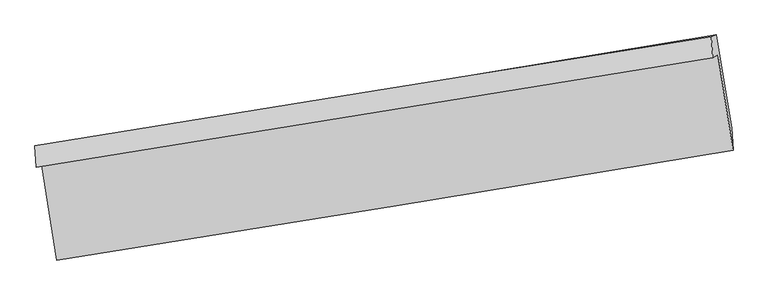
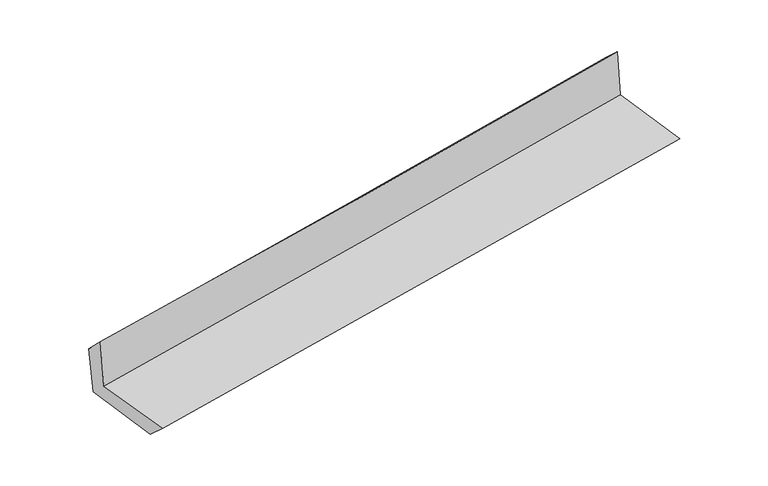
"""IFC4 building model written with IfcOpenShell, lengths in millimetres: proxy geometry."""

from ifc_helpers import new_model, si_unit, frame, origin, place, context, project, spatial, source, transform, mapped, element, save
from ifc_brep_helpers import plane_surface, spline_curve, spline_surface, advanced_brep


def generic_models_2591ffb2(model_context):
    return source(origin(), model_context, "Body", "AdvancedBrep", [
        advanced_brep(
        [(-2368.3479283, -1879.9032618, 1687.8238746), (-2265.3436336, -2537.0484002, 1687.205522), (2416.2075566, -1776.3962442, 2099.0353773), (2311.2357998, -1114.8910476, 2113.7090452), (-2405.7711011, -1895.5011608, 2095.3674914), (2275.2967924, -1135.8122236, 2514.597497), (-2414.8400778, -1746.3524666, 1949.2279656), (2265.8291546, -993.3994546, 2383.5122839), (-2377.3934948, -1740.6800806, 1557.3398844), (2300.0924303, -979.118594, 2010.3803915), (-2275.6490951, -2380.7065606, 1542.1869783), (2405.6502807, -1622.829605, 1961.2424448)],
        [
            (0, 1),
            (1, 2, spline_curve(3, [(-2265.3436336, -2537.0484002, 1687.205522), (-1481.24843022, -2414.913518268, 1758.703122308), (-697.433921212, -2290.181259892, 1828.909841566), (863.078465245, -2036.587262517, 1966.164950457), (1639.781019727, -1907.768802226, 2033.234849867), (2416.2075566, -1776.3962442, 2099.0353773)], [4, 2, 4], [0.0, 7.842525207756541, 15.619437861049846])),
            (2, 3),
            (3, 0, spline_curve(3, [(2311.2357998, -1114.8910476, 2113.7090452), (1535.306506538, -1245.155851818, 2040.896627788), (759.016198993, -1373.778400704, 1969.144599714), (-800.838926204, -1628.810300099, 1827.16490816), (-1584.409861415, -1755.191822517, 1756.955212778), (-2368.3479283, -1879.9032618, 1687.8238746)], [4, 2, 4], [0.0, 7.776912653293305, 15.619437861049846])),
            (4, 0),
            (3, 5),
            (5, 4, spline_curve(3, [(2275.2967924, -1135.8122236, 2514.597497), (1499.518898579, -1263.04714804, 2435.389172018), (723.181965261, -1389.708505596, 2360.975703791), (-837.164526355, -1642.94787051, 2221.151120646), (-1621.183557456, -1769.51615834, 2155.821253395), (-2405.7711011, -1895.5011608, 2095.3674914)], [4, 2, 4], [0.0, 7.776973447095041, 15.619559961560793])),
            (6, 4),
            (5, 7),
            (7, 6, spline_curve(3, [(2265.8291546, -993.3994546, 2383.5122839), (1489.517024519, -1117.572977233, 2304.833453205), (712.944794264, -1242.140583211, 2229.441836323), (-847.273876018, -1493.118242752, 2084.624695281), (-1630.92472294, -1619.534974159, 2015.254873174), (-2414.8400778, -1746.3524666, 1949.2279656)], [4, 2, 4], [0.0, 7.776934183209233, 15.619481102526121])),
            (8, 6),
            (7, 9),
            (9, 8, spline_curve(3, [(2300.0924303, -979.118594, 2010.3803915), (1525.251525568, -1108.06384546, 1924.298611679), (749.68104947, -1235.738696419, 1843.640059142), (-809.468563235, -1489.614052293, 1692.534661189), (-1593.060062186, -1615.793029986, 1622.179711049), (-2377.3934948, -1740.6800806, 1557.3398844)], [4, 2, 4], [0.0, 7.776847290281742, 15.61930658356956])),
            (10, 8),
            (9, 11),
            (11, 10, spline_curve(3, [(2405.6502807, -1622.829605, 1961.2424448), (1629.856341393, -1756.101388433, 1891.980721079), (853.492223305, -1885.644122632, 1822.575868017), (-706.931240535, -2138.332962684, 1682.8931377), (-1491.000247438, -2261.415880241, 1612.612835347), (-2275.6490951, -2380.7065606, 1542.1869783)], [4, 2, 4], [0.0, 7.776801979610418, 15.619215579948108])),
            (1, 10),
            (11, 2),
        ],
        [
            spline_surface(3, 3, [[(-2368.3479283, -1879.9032618, 1687.8238746), (-1584.409861453, -1755.191822489, 1756.955212675), (-800.838926283, -1628.810300001, 1827.164908094), (759.016199072, -1373.778400801, 1969.14459978), (1535.30650662, -1245.155851923, 2040.896627876), (2311.2357998, -1114.8910476, 2113.7090452)], [(-2334.01316341, -2098.951641266, 1687.617757053), (-1550.022717681, -1975.099054415, 1757.537849177), (-766.370591242, -1849.267286648, 1827.746552527), (793.703621106, -1594.714688016, 1968.15138336), (1570.131344291, -1466.026835329, 2038.342701826), (2346.226385408, -1335.392779804, 2108.817822559)], [(-2299.67839849, -2318.000020734, 1687.411639547), (-1515.635573877, -2195.006286343, 1758.120485718), (-731.902256192, -2069.724273307, 1828.328197015), (828.391043149, -1815.650975242, 1967.158166995), (1604.956181938, -1686.897818724, 2035.7887758), (2381.216970992, -1555.894511996, 2103.926599941)], [(-2265.3436336, -2537.0484002, 1687.205522), (-1481.248430105, -2414.913518269, 1758.703122219), (-697.43392115, -2290.181259954, 1828.909841448), (863.078465183, -2036.587262457, 1966.164950575), (1639.781019609, -1907.76880213, 2033.23484975), (2416.2075566, -1776.3962442, 2099.0353773)]], [4, 4], [4, 2, 4], [0.0, 2.1986901464026665], [0.0, 7.842525207756541, 15.619437861049846]),
            spline_surface(3, 3, [[(-2405.7711011, -1895.5011608, 2095.3674914), (-1621.18355747, -1769.516158405, 2155.821253486), (-837.164526371, -1642.947870428, 2221.151120537), (723.181965277, -1389.708505677, 2360.975703898), (1499.518898689, -1263.047147951, 2435.389172051), (2275.2967924, -1135.8122236, 2514.597497)], [(-2393.296710167, -1890.301861133, 1959.519619148), (-1608.925658798, -1764.741379766, 2022.865906564), (-825.055993026, -1638.235346941, 2089.822383054), (735.126709857, -1384.398470707, 2230.365335857), (1511.448101329, -1257.083382606, 2303.891657352), (2287.27646153, -1128.838498264, 2380.968013092)], [(-2380.822319233, -1885.102561467, 1823.671746852), (-1596.667760125, -1759.966601128, 1889.910559597), (-812.947459627, -1633.522823488, 1958.493645577), (747.071454492, -1379.088435771, 2099.754967822), (1523.377303979, -1251.119617268, 2172.394142576), (2299.25613067, -1121.864772936, 2247.338529108)], [(-2368.3479283, -1879.9032618, 1687.8238746), (-1584.409861453, -1755.191822489, 1756.955212675), (-800.838926283, -1628.810300001, 1827.164908094), (759.016199072, -1373.778400801, 1969.14459978), (1535.30650662, -1245.155851923, 2040.896627876), (2311.2357998, -1114.8910476, 2113.7090452)]], [4, 4], [4, 2, 4], [0.0, 1.2954631625426933], [0.0, 7.842586514465752, 15.619559961560793]),
            spline_surface(3, 3, [[(-2414.8400778, -1746.3524666, 1949.2279656), (-1630.924723015, -1619.534974251, 2015.2548731), (-847.273875932, -1493.118242813, 2084.624695404), (712.944794179, -1242.14058315, 2229.441836201), (1489.517024549, -1117.572977281, 2304.833453325), (2265.8291546, -993.3994546, 2383.5122839)], [(-2411.817085571, -1796.068697992, 1997.941140853), (-1627.677667837, -1669.528702294, 2062.110333215), (-843.904092741, -1543.061452029, 2130.133503811), (716.357184549, -1291.32989067, 2273.286458796), (1492.850982579, -1166.064367494, 2348.352026215), (2268.98503385, -1040.87037759, 2427.207354915)], [(-2408.794093329, -1845.784929408, 2046.654316147), (-1624.430612647, -1719.522430362, 2108.965793371), (-840.534309562, -1593.004661212, 2175.64231213), (719.769574907, -1340.519198157, 2317.131081303), (1496.184940659, -1214.555757738, 2391.87059916), (2272.14091315, -1088.34130061, 2470.902425985)], [(-2405.7711011, -1895.5011608, 2095.3674914), (-1621.18355747, -1769.516158405, 2155.821253486), (-837.164526371, -1642.947870428, 2221.151120537), (723.181965277, -1389.708505677, 2360.975703898), (1499.518898689, -1263.047147951, 2435.389172051), (2275.2967924, -1135.8122236, 2514.597497)]], [4, 4], [4, 2, 4], [0.0, 0.6577027975820853], [0.0, 7.842546919316888, 15.619481102526121]),
            spline_surface(3, 3, [[(-2377.3934948, -1740.6800806, 1557.3398844), (-1593.06006213, -1615.793029895, 1622.179711143), (-809.468563162, -1489.61405217, 1692.534661079), (749.681049397, -1235.738696542, 1843.640059251), (1525.251525452, -1108.063845421, 1924.298611696), (2300.0924303, -979.118594, 2010.3803915)], [(-2389.875689126, -1742.570875931, 1687.969244812), (-1605.68161575, -1617.040344678, 1753.204765141), (-822.070334068, -1490.782115705, 1823.231339166), (737.435631008, -1237.872658732, 1972.240651545), (1513.340025161, -1111.233556035, 2051.143558927), (2288.67133841, -983.878880861, 2134.757688989)], [(-2402.357883474, -1744.461671269, 1818.598605188), (-1618.303169394, -1618.287659468, 1884.229819103), (-834.672105026, -1491.950179278, 1953.928017318), (725.190212567, -1240.00662096, 2100.841243906), (1501.42852484, -1114.403266666, 2177.988506093), (2277.25024649, -988.639167739, 2259.134986411)], [(-2414.8400778, -1746.3524666, 1949.2279656), (-1630.924723015, -1619.534974251, 2015.2548731), (-847.273875932, -1493.118242813, 2084.624695404), (712.944794179, -1242.14058315, 2229.441836201), (1489.517024549, -1117.572977281, 2304.833453325), (2265.8291546, -993.3994546, 2383.5122839)]], [4, 4], [4, 2, 4], [0.0, 1.2821043556497962], [0.0, 7.842459293287819, 15.61930658356956]),
            spline_surface(3, 3, [[(-2275.6490951, -2380.7065606, 1542.1869783), (-1491.000247453, -2261.41588027, 1612.612835356), (-706.931240456, -2138.332962686, 1682.893137764), (853.492223227, -1885.644122631, 1822.575867954), (1629.85634146, -1756.101388319, 1891.980721051), (2405.6502807, -1622.829605, 1961.2424448)], [(-2309.563895002, -2167.364400619, 1547.237946987), (-1525.020185681, -2046.208263497, 1615.801793939), (-741.11034803, -1922.09332587, 1686.106978892), (818.888498612, -1669.008980624, 1829.597265076), (1594.988069441, -1540.088874013, 1902.753351249), (2370.464330551, -1408.259267994, 1977.621760349)], [(-2343.478694898, -1954.022240581, 1552.288915713), (-1559.040123902, -1831.000646667, 1618.99075256), (-775.289455588, -1705.853688985, 1689.320819951), (784.284774012, -1452.373838549, 1836.618662129), (1560.11979747, -1324.076359726, 1913.525981499), (2335.278380449, -1193.688931006, 1994.001075951)], [(-2377.3934948, -1740.6800806, 1557.3398844), (-1593.06006213, -1615.793029895, 1622.179711143), (-809.468563162, -1489.61405217, 1692.534661079), (749.681049397, -1235.738696542, 1843.640059251), (1525.251525452, -1108.063845421, 1924.298611696), (2300.0924303, -979.118594, 2010.3803915)]], [4, 4], [4, 2, 4], [0.0, 2.1575799955450847], [0.0, 7.842413600337689, 15.619215579948108]),
            spline_surface(3, 3, [[(-2265.3436336, -2537.0484002, 1687.205522), (-1481.248430105, -2414.913518269, 1758.703122219), (-697.43392115, -2290.181259954, 1828.909841448), (863.078465183, -2036.587262457, 1966.164950575), (1639.781019609, -1907.76880213, 2033.23484975), (2416.2075566, -1776.3962442, 2099.0353773)], [(-2268.778787424, -2484.93445366, 1638.866007447), (-1484.499035878, -2363.747638929, 1710.006359945), (-700.599694248, -2239.565160858, 1780.237606877), (859.883051203, -1986.272882509, 1918.301923025), (1636.472793577, -1857.212997547, 1986.15014018), (2412.688464651, -1725.207364487, 2053.104399796)], [(-2272.213941276, -2432.82050714, 1590.526492853), (-1487.749641679, -2312.58175961, 1661.30959763), (-703.765467359, -2188.949061781, 1731.565372335), (856.687637208, -1935.958502579, 1870.438895504), (1633.164567492, -1806.657192902, 1939.065430621), (2409.169372649, -1674.018484713, 2007.173422304)], [(-2275.6490951, -2380.7065606, 1542.1869783), (-1491.000247453, -2261.41588027, 1612.612835356), (-706.931240456, -2138.332962686, 1682.893137764), (853.492223227, -1885.644122631, 1822.575867954), (1629.85634146, -1756.101388319, 1891.980721051), (2405.6502807, -1622.829605, 1961.2424448)]], [4, 4], [4, 2, 4], [0.0, 0.6880671927018324], [0.0, 7.842527253097954, 15.619441934620827]),
            plane_surface(frame((2329.0520024, -1270.4078615, 2180.41284), z_axis=(0.9833904424843183, 0.15391675812088704, 0.09619183541264223), x_axis=(-0.09137512779943925, -0.03808495934446826, 0.9950879970592381))),
            plane_surface(frame((-2351.2242218, -2030.0319884, 1753.1919527), z_axis=(-0.983369608241358, -0.15404787250942287, -0.09619494042078838), x_axis=(-0.15485428698674128, 0.9879368834160471, 0.0009296171339535786))),
        ],
        [
            (0, [[1, 2, 3, 4]]),
            (1, [[5, -4, 6, 7]]),
            (2, [[8, -7, 9, 10]]),
            (3, [[11, -10, 12, 13]]),
            (4, [[14, -13, 15, 16]]),
            (5, [[17, -16, 18, -2]]),
            (6, [[-12, -9, -6, -3, -18, -15]]),
            (7, [[-1, -5, -8, -11, -14, -17]]),
        ],
    ),
    ])


if __name__ == "__main__":
    model = new_model("IFC4")
    model_context = context("Model", 3, world=origin())
    ifc_project = project(units=[si_unit("LENGTHUNIT", "METRE", prefix="MILLI")], contexts=[model_context])
    site = spatial("IfcSite", under=ifc_project)
    building = spatial("IfcBuilding", under=site)
    placement = place(None, origin())
    generic_models_shape = generic_models_2591ffb2(model_context)
    element("IfcBuildingElementProxy", 1, Name="Generic Models", at=placement, inside=building, context=model_context, shape_type="MappedRepresentation", body=[
        mapped(generic_models_shape, transform((0.0, 0.0, 0.0), x_axis=(1.0, 0.0, 0.0), y_axis=(0.0, 1.0, 0.0), z_axis=(0.0, 0.0, 1.0))),
    ])
    save(model, "model.ifc")
